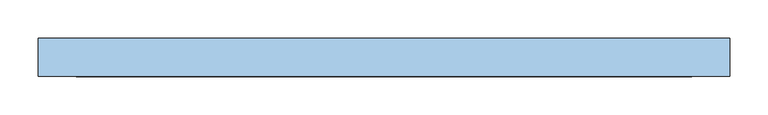
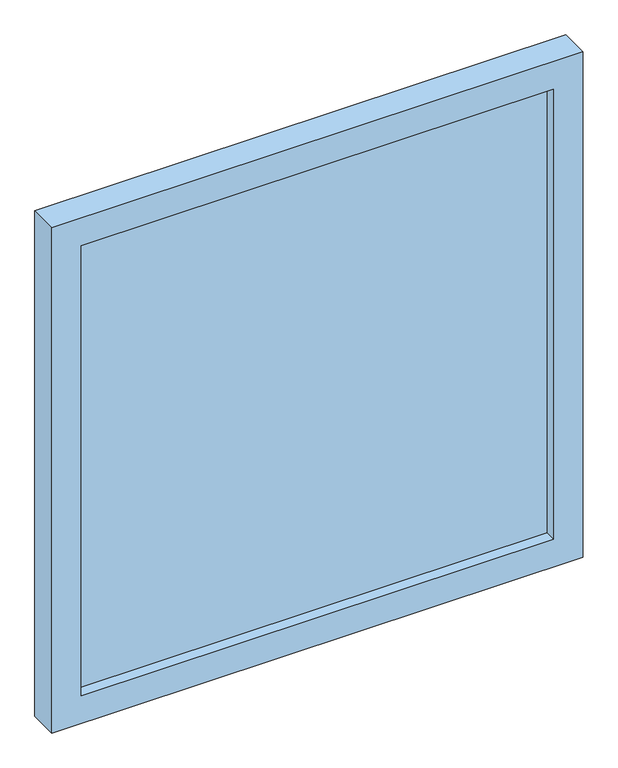
"""IFC4 building model written with IfcOpenShell, lengths in millimetres: window geometry."""

from ifc_helpers import new_model, si_unit, frame, origin, place, context, project, spatial, polyline, outline, extrude, source, transform, mapped, element, save


def window_694db88c(model_context):
    return source(origin(), model_context, "Body", "SweptSolid", [
        extrude(outline(polyline([(402.5, 94.05), (-402.5, 94.05), (-402.5, 106.75), (402.5, 106.75), (402.5, 94.05)])), frame((0.0, 0.0, 50.0), z_axis=(0.0, 0.0, 1.0), x_axis=(1.0, 0.0, 0.0)), (0.0, 0.0, 1.0), 810.0),
        extrude(outline(polyline([(910.0, -452.5), (0.0, -452.5), (0.0, 452.5), (910.0, 452.5), (910.0, -452.5)]), holes=[polyline([(860.0, -402.5), (860.0, 402.5), (50.0, 402.5), (50.0, -402.5), (860.0, -402.5)])]), frame((0.0, 75.0, 0.0), z_axis=(0.0, 1.0, 0.0), x_axis=(0.0, 0.0, 1.0)), (0.0, 0.0, 1.0), 50.0),
    ])


if __name__ == "__main__":
    model = new_model("IFC4")
    model_context = context("Model", 3, world=origin())
    ifc_project = project(units=[si_unit("LENGTHUNIT", "METRE", prefix="MILLI")], contexts=[model_context])
    site = spatial("IfcSite", under=ifc_project)
    building = spatial("IfcBuilding", under=site)
    placement = place(None, origin())
    window_shape = window_694db88c(model_context)
    element("IfcWindow", 1, at=placement, inside=building, context=model_context, shape_type="MappedRepresentation", body=[
        mapped(window_shape, transform((0.0, 0.0, 0.0), x_axis=(1.0, 0.0, 0.0), y_axis=(0.0, 1.0, 0.0), z_axis=(0.0, 0.0, 1.0))),
    ])
    save(model, "model.ifc")
